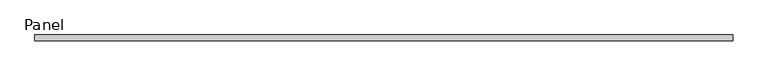
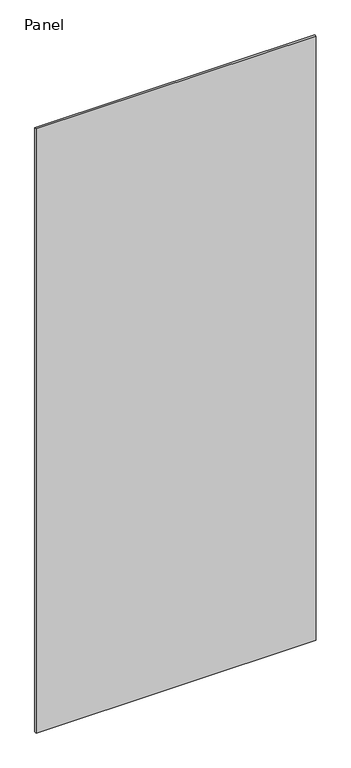
"""IFC4 building model written with IfcOpenShell, lengths in millimetres: plate geometry, Panel."""

import ifcopenshell
import ifcopenshell.guid

model = None  # the IFC model being written
_history = None  # IfcOwnerHistory: only IFC2X3 demands one
_inside = {}  # id of a spatial element -> (the spatial element, [elements in it])
_under = {}  # id of a project, library or spatial element -> (it, [spatial elements below it])
_declared = {}  # id of a project -> (the project, [libraries it declares])
_typed = {}  # id of a type object -> (the type object, [elements of that type])
_made_of = {}  # id of a material, layer set ... -> (it, [elements and type objects made of it])


def new_model(schema):
    """Start an empty IFC model of exactly this schema.

    Asked for "IFC4X3", IfcOpenShell would pick the latest addendum, in which some entities
    have other attributes; the version numbers below select the first issue.
    IFC2X3 requires an IfcOwnerHistory on every rooted entity: one is made here for all.
    """
    global model, _history
    if schema == "IFC4X3":
        model = ifcopenshell.file(schema_version=(4, 3, 0, 0))
    else:
        model = ifcopenshell.file(schema=schema)
    _inside.clear()
    _under.clear()
    _declared.clear()
    _typed.clear()
    _made_of.clear()
    _history = None
    if model.schema == "IFC2X3":
        org = make("IfcOrganization", Name="unknown")
        user = make(
            "IfcPersonAndOrganization",
            ThePerson=make("IfcPerson", FamilyName="unknown"),
            TheOrganization=org,
        )
        app = make(
            "IfcApplication",
            ApplicationDeveloper=org,
            Version="unknown",
            ApplicationFullName="unknown",
            ApplicationIdentifier="unknown",
        )
        _history = make(
            "IfcOwnerHistory",
            OwningUser=user,
            OwningApplication=app,
            ChangeAction="ADDED",
            CreationDate=0,
        )
    return model


def make(cls, **values):
    """One entity of the class cls with the attributes given. An attribute that is None is left unset."""
    return model.create_entity(
        cls, **{name: value for name, value in values.items() if value is not None}
    )


def rooted(cls, **values):
    """An entity with a GlobalId (a new one), such as an element, a storey or a relation."""
    return make(cls, GlobalId=ifcopenshell.guid.new(), OwnerHistory=_history, **values)


def si_unit(unit_type, name, prefix=None):
    """IfcSIUnit, for example si_unit("LENGTHUNIT", "METRE", prefix="MILLI")."""
    return make("IfcSIUnit", UnitType=unit_type, Prefix=prefix, Name=name)


def assignment(units):
    """IfcUnitAssignment: the units of a project."""
    return None if units is None else make("IfcUnitAssignment", Units=units)


def point(xyz):
    """IfcCartesianPoint."""
    return None if xyz is None else make("IfcCartesianPoint", Coordinates=xyz)


def direction(xyz):
    """IfcDirection."""
    return None if xyz is None else make("IfcDirection", DirectionRatios=xyz)


def frame(location, z_axis=None, x_axis=None):
    """IfcAxis2Placement3D, a coordinate frame: its origin and axes. An axis left out is left unset."""
    return make(
        "IfcAxis2Placement3D",
        Location=point(location),
        Axis=direction(z_axis),
        RefDirection=direction(x_axis),
    )


def origin():
    """The frame at (0, 0, 0) with its axes left unset."""
    return frame((0.0, 0.0, 0.0))


def place(relative_to, where):
    """IfcLocalPlacement: puts the frame where relative to a parent placement (None: the world)."""
    return make(
        "IfcLocalPlacement", PlacementRelTo=relative_to, RelativePlacement=where
    )


def context(
    kind, dimensions, precision=None, world=None, true_north=None, identifier=None
):
    """IfcGeometricRepresentationContext, for example the 3D "Model" context."""
    return make(
        "IfcGeometricRepresentationContext",
        ContextIdentifier=identifier,
        ContextType=kind,
        CoordinateSpaceDimension=dimensions,
        Precision=precision,
        WorldCoordinateSystem=world,
        TrueNorth=true_north,
    )


def project(units=None, contexts=None):
    """IfcProject with its units and contexts."""
    return rooted(
        "IfcProject",
        Name="project",
        RepresentationContexts=contexts,
        UnitsInContext=assignment(units),
    )


def spatial(cls, under=None, at=None, **own):
    """A site, building, storey or space (cls), placed at a placement, below another one or the project."""
    s = rooted(cls, ObjectPlacement=at, **own)
    if under is not None:
        _under.setdefault(under.id(), (under, []))[1].append(s)
    return s


def polyline(points):
    """IfcPolyline through the points."""
    return make("IfcPolyline", Points=[point(p) for p in points])


def outline(outer, holes=None, kind="AREA"):
    """IfcArbitraryClosedProfileDef: a profile drawn as a closed curve; with holes, ...WithVoids."""
    if holes is None:
        return make("IfcArbitraryClosedProfileDef", ProfileType=kind, OuterCurve=outer)
    return make(
        "IfcArbitraryProfileDefWithVoids",
        ProfileType=kind,
        OuterCurve=outer,
        InnerCurves=holes,
    )


def extrude(swept, where, along, depth):
    """IfcExtrudedAreaSolid: the profile swept, set in the frame where, extruded along a direction by depth."""
    return make(
        "IfcExtrudedAreaSolid",
        SweptArea=swept,
        Position=where,
        ExtrudedDirection=direction(along),
        Depth=depth,
    )


def shape(context_of_items, identifier, shape_type, items):
    """IfcShapeRepresentation: the items that make up one representation, for example the "Body"."""
    return make(
        "IfcShapeRepresentation",
        ContextOfItems=context_of_items,
        RepresentationIdentifier=identifier,
        RepresentationType=shape_type,
        Items=items,
    )


def source(mapping_origin, context_of_items, identifier, shape_type, items):
    """IfcRepresentationMap: a shape defined once, which mapped items show again and again."""
    return make(
        "IfcRepresentationMap",
        MappingOrigin=mapping_origin,
        MappedRepresentation=shape(context_of_items, identifier, shape_type, items),
    )


def transform(
    local_origin,
    x_axis=None,
    y_axis=None,
    z_axis=None,
    scale=None,
    scale2=None,
    scale3=None,
    uniform=True,
):
    """IfcCartesianTransformationOperator3D, or its non-uniform kind. x_axis, y_axis, z_axis: its Axis1, 2, 3."""
    if uniform:
        return make(
            "IfcCartesianTransformationOperator3D",
            Axis1=direction(x_axis),
            Axis2=direction(y_axis),
            LocalOrigin=point(local_origin),
            Scale=scale,
            Axis3=direction(z_axis),
        )
    return make(
        "IfcCartesianTransformationOperator3DnonUniform",
        Axis1=direction(x_axis),
        Axis2=direction(y_axis),
        LocalOrigin=point(local_origin),
        Scale=scale,
        Axis3=direction(z_axis),
        Scale2=scale2,
        Scale3=scale3,
    )


def mapped(mapping_source, mapping_target):
    """IfcMappedItem: shows the shape of a source again, moved by a transform."""
    return make(
        "IfcMappedItem", MappingSource=mapping_source, MappingTarget=mapping_target
    )


def made_of(thing, what):
    """Note that an element or type object is made of a material, layer set ...; save() writes the relation."""
    if what is not None:
        _made_of.setdefault(what.id(), (what, []))[1].append(thing)
    return thing


def element(
    cls,
    number,
    at=None,
    inside=None,
    cuts=None,
    type_object=None,
    material=None,
    context=None,
    identifier="Body",
    shape_type=None,
    held_by="IfcProductDefinitionShape",
    body=None,
    shapes=None,
    **own,
):
    """One element of the class cls, such as IfcWall. Its Tag is "e" and its number.

    at: its placement. inside: the storey or other place that contains it. cuts: it is an
    opening in that element (IfcRelVoidsElement). A single representation is given by context,
    identifier, shape_type and body (its items); several are given by shapes. held_by: the class
    of the entity that holds the representations. save() writes the other relations.
    """
    e = rooted(cls, Tag="e%d" % number, ObjectPlacement=at, **own)
    if body is not None:
        shapes = [shape(context, identifier, shape_type, body)]
    if shapes is not None:
        e.Representation = make(held_by, Representations=shapes)
    if inside is not None:
        _inside.setdefault(inside.id(), (inside, []))[1].append(e)
    if cuts is not None:
        rooted(
            "IfcRelVoidsElement", RelatingBuildingElement=cuts, RelatedOpeningElement=e
        )
    if type_object is not None:
        _typed.setdefault(type_object.id(), (type_object, []))[1].append(e)
    return made_of(e, material)


def aggregate(whole, parts):
    """IfcRelAggregates: a whole, such as a stair, and the parts it consists of."""
    return rooted("IfcRelAggregates", RelatingObject=whole, RelatedObjects=parts)


def save(model, path):
    """Write the relations noted so far, then the file.

    IfcRelAggregates (storeys below a building ...), IfcRelContainedInSpatialStructure (elements
    in a storey), IfcRelDefinesByType, IfcRelAssociatesMaterial and IfcRelDeclares: one each for
    every whole, place, type object, material and project.
    """
    for whole, parts in _under.values():
        aggregate(whole, parts)
    for where, things in _inside.values():
        rooted(
            "IfcRelContainedInSpatialStructure",
            RelatedElements=things,
            RelatingStructure=where,
        )
    for kind, things in _typed.values():
        rooted("IfcRelDefinesByType", RelatedObjects=things, RelatingType=kind)
    for what, things in _made_of.values():
        rooted("IfcRelAssociatesMaterial", RelatedObjects=things, RelatingMaterial=what)
    for by, libraries in _declared.values():
        rooted("IfcRelDeclares", RelatingContext=by, RelatedDefinitions=libraries)
    model.write(path)


def panel_e4ad22c9(model_context):
    return source(origin(), model_context, "Body", "SweptSolid", [
        extrude(outline(polyline([(592.1375, 31.75), (-576.2625, 31.75), (-576.2625, 41.275), (592.1375, 41.275), (592.1375, 31.75)])), frame((0.0, 0.0, -25.4), z_axis=(0.0, 0.0, 1.0), x_axis=(1.0, 0.0, 0.0)), (0.0, 0.0, 1.0), 2663.825),
    ])


if __name__ == "__main__":
    model = new_model("IFC4")
    model_context = context("Model", 3, world=origin())
    ifc_project = project(units=[si_unit("LENGTHUNIT", "METRE", prefix="MILLI")], contexts=[model_context])
    site = spatial("IfcSite", under=ifc_project)
    building = spatial("IfcBuilding", under=site)
    placement = place(None, origin())
    panel_shape = panel_e4ad22c9(model_context)
    element("IfcPlate", 1, ObjectType="Panel", at=placement, inside=building, context=model_context, shape_type="MappedRepresentation", body=[
        mapped(panel_shape, transform((0.0, 0.0, 0.0), x_axis=(1.0, 0.0, 0.0), y_axis=(0.0, 1.0, 0.0), z_axis=(0.0, 0.0, 1.0))),
    ])
    save(model, "model.ifc")
